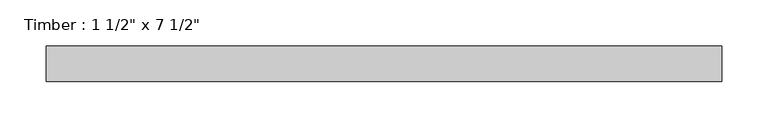
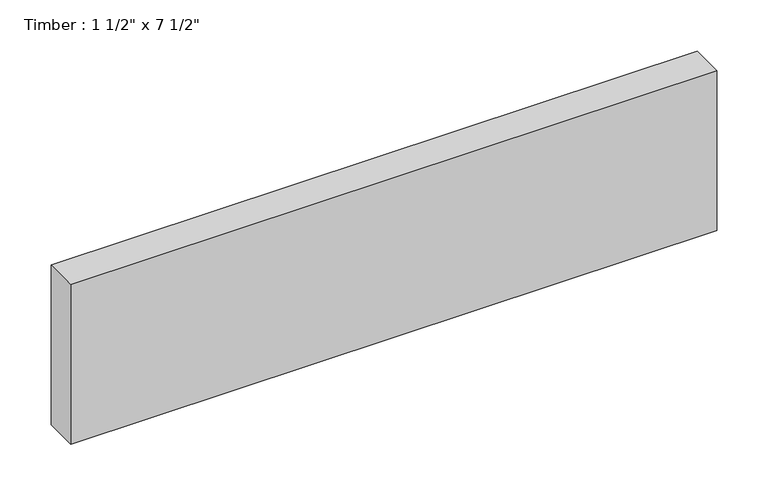
"""IFC4 building model written with IfcOpenShell, lengths in millimetres: beam geometry."""

from ifc_helpers import new_model, si_unit, frame, origin, place, context, project, spatial, polyline, outline, extrude, source, transform, mapped, element, save


def beam_4fc2f36d(model_context):
    return source(origin(), model_context, "Body", "SweptSolid", [
        extrude(outline(polyline([(363.3139238, 19.05), (363.3139238, -19.05), (-363.3139238, -19.05), (-363.3139238, 19.05), (363.3139238, 19.05)])), frame((0.0, 0.0, -95.25), z_axis=(0.0, 0.0, 1.0), x_axis=(1.0, 0.0, 0.0)), (0.0, 0.0, 1.0), 190.5),
    ])


if __name__ == "__main__":
    model = new_model("IFC4")
    model_context = context("Model", 3, world=origin())
    ifc_project = project(units=[si_unit("LENGTHUNIT", "METRE", prefix="MILLI")], contexts=[model_context])
    site = spatial("IfcSite", under=ifc_project)
    building = spatial("IfcBuilding", under=site)
    placement = place(None, origin())
    beam_shape = beam_4fc2f36d(model_context)
    element("IfcBeam", 1, ObjectType="Timber : 1 1/2\" x 7 1/2\"", at=placement, inside=building, context=model_context, shape_type="MappedRepresentation", body=[
        mapped(beam_shape, transform((0.0, 0.0, 0.0), x_axis=(1.0, 0.0, 0.0), y_axis=(0.0, 1.0, 0.0), z_axis=(0.0, 0.0, 1.0))),
    ])
    save(model, "model.ifc")
